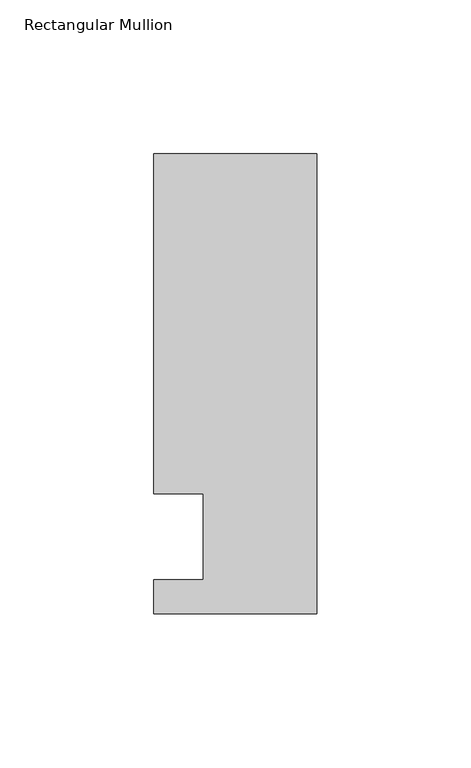
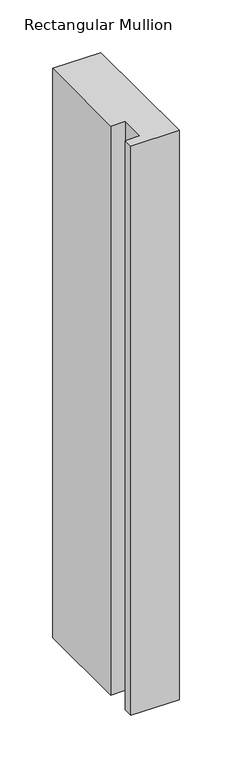
"""IFC4 building model written with IfcOpenShell, lengths in millimetres: member geometry, Rectangular Mullion."""

from ifc_helpers import new_model, si_unit, frame, origin, place, context, project, spatial, polyline, outline, extrude, source, transform, mapped, element, save


def rectangular_mullion_a5daf315(model_context):
    return source(origin(), model_context, "Body", "SweptSolid", [
        extrude(outline(polyline([(0.0, -25.0), (-53.0, -25.0), (-53.0, -14.0), (-37.0, -14.0), (-37.0, 14.0), (-53.0, 14.0), (-53.0, 124.5), (0.0, 124.5), (0.0, -25.0)])), frame((0.0, 0.0, -661.5615776), z_axis=(0.0, 0.0, 1.0), x_axis=(1.0, 0.0, 0.0)), (0.0, 0.0, 1.0), 661.5615776),
    ])


if __name__ == "__main__":
    model = new_model("IFC4")
    model_context = context("Model", 3, world=origin())
    ifc_project = project(units=[si_unit("LENGTHUNIT", "METRE", prefix="MILLI")], contexts=[model_context])
    site = spatial("IfcSite", under=ifc_project)
    building = spatial("IfcBuilding", under=site)
    placement = place(None, origin())
    rectangular_mullion_shape = rectangular_mullion_a5daf315(model_context)
    element("IfcMember", 1, ObjectType="Rectangular Mullion", at=placement, inside=building, context=model_context, shape_type="MappedRepresentation", body=[
        mapped(rectangular_mullion_shape, transform((0.0, 0.0, 0.0), x_axis=(1.0, 0.0, 0.0), y_axis=(0.0, 1.0, 0.0), z_axis=(0.0, 0.0, 1.0))),
    ])
    save(model, "model.ifc")
